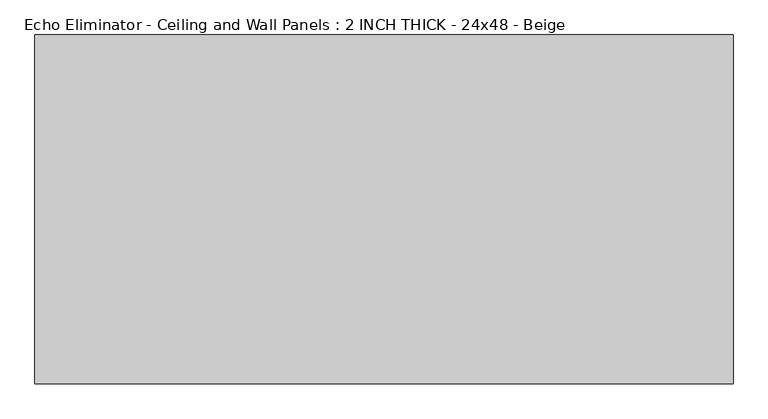
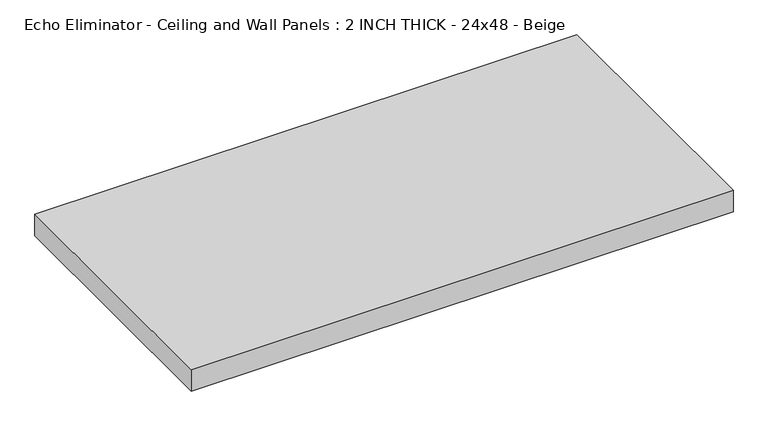
"""IFC4 building model written with IfcOpenShell, lengths in millimetres: proxy geometry, Echo Eliminator - Ceiling and Wall Panels : 2 INCH THICK - 24x48 - Beige."""

from ifc_helpers import new_model, si_unit, origin, origin_with_axes, place, context, project, spatial, polyline, outline, extrude, source, transform, mapped, element, save


def echo_eliminator_ceiling_and_wall_panels_2_inch_thick_24x48_c6a48200(model_context):
    return source(origin(), model_context, "Body", "SweptSolid", [
        extrude(outline(polyline([(-609.6, 304.8), (609.6, 304.8), (609.6, -304.8), (-609.6, -304.8), (-609.6, 304.8)])), origin_with_axes(), (0.0, 0.0, 1.0), 50.8),
    ])


if __name__ == "__main__":
    model = new_model("IFC4")
    model_context = context("Model", 3, world=origin())
    ifc_project = project(units=[si_unit("LENGTHUNIT", "METRE", prefix="MILLI")], contexts=[model_context])
    site = spatial("IfcSite", under=ifc_project)
    building = spatial("IfcBuilding", under=site)
    placement = place(None, origin())
    echo_eliminator_ceiling_and_wall_panels_2_inch_thick_24x48_shape = echo_eliminator_ceiling_and_wall_panels_2_inch_thick_24x48_c6a48200(model_context)
    element("IfcBuildingElementProxy", 1, Name="Echo Eliminator - Ceiling and Wall Panels : 2 INCH THICK - 24x48 - Beige", ObjectType="Echo Eliminator - Ceiling and Wall Panels : 2 INCH THICK - 24x48 - Beige", at=placement, inside=building, context=model_context, shape_type="MappedRepresentation", body=[
        mapped(echo_eliminator_ceiling_and_wall_panels_2_inch_thick_24x48_shape, transform((0.0, 0.0, 0.0), x_axis=(1.0, 0.0, 0.0), y_axis=(0.0, 1.0, 0.0), z_axis=(0.0, 0.0, 1.0))),
    ])
    save(model, "model.ifc")
